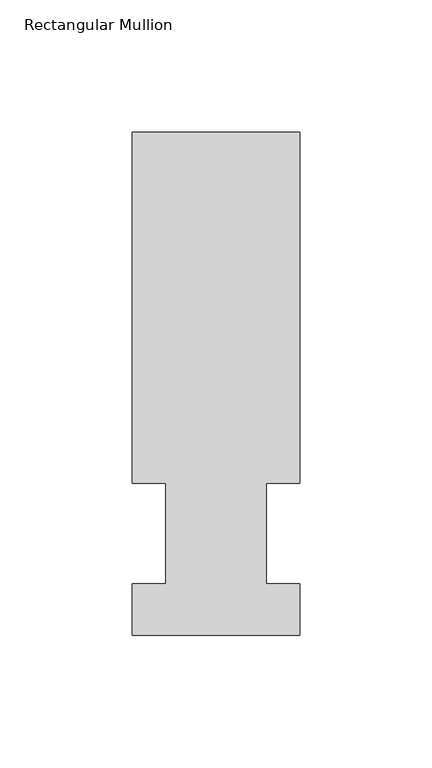
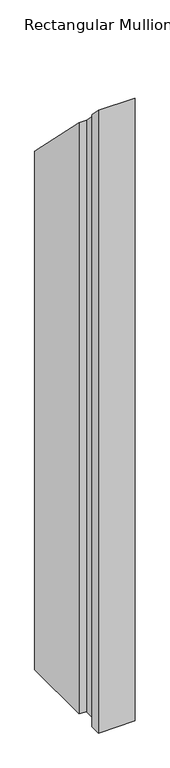
"""IFC4 building model written with IfcOpenShell, lengths in millimetres: member geometry, Rectangular Mullion."""

from ifc_helpers import new_model, si_unit, origin, place, context, project, spatial, faceted_brep, source, transform, mapped, element, save


def rectangular_mullion_bfafa73c(model_context):
    return source(origin(), model_context, "Body", "Brep", [
        faceted_brep([(-63.5, 190.5896938, -1136.7354567), (0.0, 190.5896938, -1136.7354567), (0.0, 57.6460937, -1136.7354567), (-12.6873, 57.6460937, -1136.7354567), (-12.6873, 19.5460938, -1136.7354567), (0.0, 19.5460938, -1136.7354567), (0.0, 0.0134938, -1136.7354567), (-63.5, 0.0134938, -1136.7354567), (-63.5, 19.5460938, -1136.7354567), (-50.8, 19.5460938, -1136.7354567), (-50.8, 57.6460937, -1136.7354567), (-63.5, 57.6460937, -1136.7354567), (-63.5, 57.6460937, -57.6460938), (-63.5, 190.5896938, -190.5896938), (-50.8, 57.6460937, -57.6460938), (-50.8, 19.5460938, -19.5460938), (-63.5, 19.5460938, -19.5460938), (-63.5, 0.0134938, -0.0134938), (0.0, 0.0134938, -0.0134938), (0.0, 19.5460938, -19.5460938), (-12.6873, 19.5460938, -19.5460938), (-12.6873, 57.6460937, -57.6460938), (0.0, 57.6460937, -57.6460938), (0.0, 190.5896938, -190.5896938)], [[[0, 1, 2, 3, 4, 5, 6, 7, 8, 9, 10, 11]], [[12, 13, 0, 11]], [[14, 12, 11, 10]], [[15, 14, 10, 9]], [[16, 15, 9, 8]], [[17, 16, 8, 7]], [[18, 17, 7, 6]], [[19, 18, 6, 5]], [[20, 19, 5, 4]], [[21, 20, 4, 3]], [[22, 21, 3, 2]], [[23, 22, 2, 1]], [[13, 23, 1, 0]], [[13, 12, 14, 15, 16, 17, 18, 19, 20, 21, 22, 23]]]),
    ])


if __name__ == "__main__":
    model = new_model("IFC4")
    model_context = context("Model", 3, world=origin())
    ifc_project = project(units=[si_unit("LENGTHUNIT", "METRE", prefix="MILLI")], contexts=[model_context])
    site = spatial("IfcSite", under=ifc_project)
    building = spatial("IfcBuilding", under=site)
    placement = place(None, origin())
    rectangular_mullion_shape = rectangular_mullion_bfafa73c(model_context)
    element("IfcMember", 1, ObjectType="Rectangular Mullion", at=placement, inside=building, context=model_context, shape_type="MappedRepresentation", body=[
        mapped(rectangular_mullion_shape, transform((0.0, 0.0, 0.0), x_axis=(1.0, 0.0, 0.0), y_axis=(0.0, 1.0, 0.0), z_axis=(0.0, 0.0, 1.0))),
    ])
    save(model, "model.ifc")
